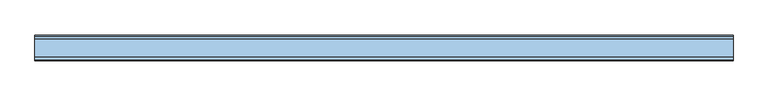
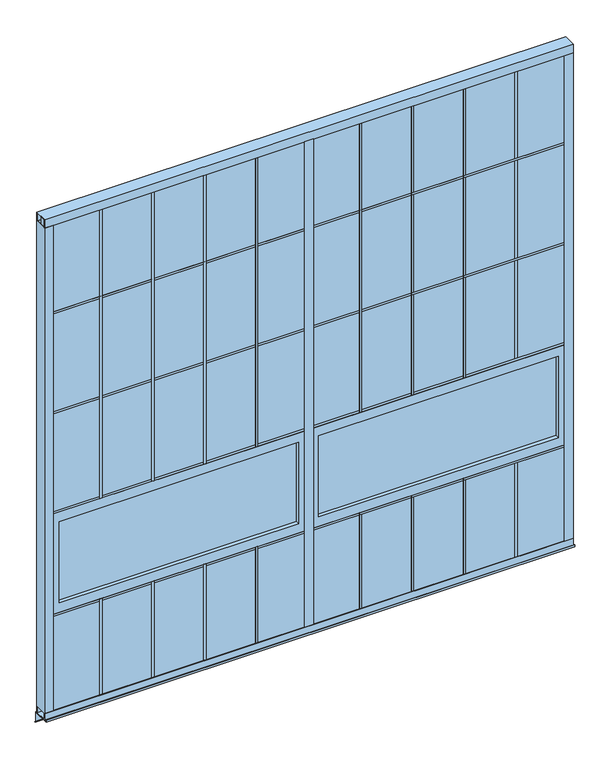
"""IFC4 building model written with IfcOpenShell, lengths in millimetres: window geometry."""

from ifc_helpers import new_model, si_unit, frame, origin, place, context, project, spatial, polyline, outline, extrude, source, transform, mapped, element, save


def window_4c3945b2(model_context):
    return source(origin(), model_context, "Body", "SweptSolid", [
        extrude(outline(polyline([(34.925, -6.35), (22.225, -6.35), (22.225, 63.5), (34.925, 63.5), (34.925, -6.35)])), frame((0.0, 0.0, 15.875), z_axis=(0.0, 0.0, 1.0), x_axis=(1.0, 0.0, 0.0)), (0.0, 0.0, 1.0), 609.6),
        extrude(outline(polyline([(334.01, -6.35), (321.31, -6.35), (321.31, 63.5), (334.01, 63.5), (334.01, -6.35)])), frame((0.0, 0.0, 15.875), z_axis=(0.0, 0.0, 1.0), x_axis=(1.0, 0.0, 0.0)), (0.0, 0.0, 1.0), 609.6),
        extrude(outline(polyline([(633.095, -6.35), (620.395, -6.35), (620.395, 63.5), (633.095, 63.5), (633.095, -6.35)])), frame((0.0, 0.0, 15.875), z_axis=(0.0, 0.0, 1.0), x_axis=(1.0, 0.0, 0.0)), (0.0, 0.0, 1.0), 609.6),
        extrude(outline(polyline([(932.18, -6.35), (919.48, -6.35), (919.48, 63.5), (932.18, 63.5), (932.18, -6.35)])), frame((0.0, 0.0, 15.875), z_axis=(0.0, 0.0, 1.0), x_axis=(1.0, 0.0, 0.0)), (0.0, 0.0, 1.0), 609.6),
        extrude(outline(polyline([(1231.265, -6.35), (1218.565, -6.35), (1218.565, 63.5), (1231.265, 63.5), (1231.265, -6.35)])), frame((0.0, 0.0, 15.875), z_axis=(0.0, 0.0, 1.0), x_axis=(1.0, 0.0, 0.0)), (0.0, 0.0, 1.0), 609.6),
        extrude(outline(polyline([(334.01, -6.35), (321.31, -6.35), (321.31, 63.5), (334.01, 63.5), (334.01, -6.35)])), frame((0.0, 0.0, 1235.075), z_axis=(0.0, 0.0, 1.0), x_axis=(1.0, 0.0, 0.0)), (0.0, 0.0, 1.0), 1790.7),
        extrude(outline(polyline([(633.095, -6.35), (620.395, -6.35), (620.395, 63.5), (633.095, 63.5), (633.095, -6.35)])), frame((0.0, 0.0, 1235.075), z_axis=(0.0, 0.0, 1.0), x_axis=(1.0, 0.0, 0.0)), (0.0, 0.0, 1.0), 1790.7),
        extrude(outline(polyline([(932.18, -6.35), (919.48, -6.35), (919.48, 63.5), (932.18, 63.5), (932.18, -6.35)])), frame((0.0, 0.0, 1235.075), z_axis=(0.0, 0.0, 1.0), x_axis=(1.0, 0.0, 0.0)), (0.0, 0.0, 1.0), 1790.7),
        extrude(outline(polyline([(1231.265, -6.35), (1218.565, -6.35), (1218.565, 63.5), (1231.265, 63.5), (1231.265, -6.35)])), frame((0.0, 0.0, 1235.075), z_axis=(0.0, 0.0, 1.0), x_axis=(1.0, 0.0, 0.0)), (0.0, 0.0, 1.0), 1790.7),
        extrude(outline(polyline([(1530.35, -6.35), (1517.65, -6.35), (1517.65, 63.5), (1530.35, 63.5), (1530.35, -6.35)])), frame((0.0, 0.0, 1235.075), z_axis=(0.0, 0.0, 1.0), x_axis=(1.0, 0.0, 0.0)), (0.0, 0.0, 1.0), 1790.7),
        extrude(outline(polyline([(1530.35, -6.35), (1517.65, -6.35), (1517.65, 63.5), (1530.35, 63.5), (1530.35, -6.35)])), frame((0.0, 0.0, 15.875), z_axis=(0.0, 0.0, 1.0), x_axis=(1.0, 0.0, 0.0)), (0.0, 0.0, 1.0), 609.6),
        extrude(outline(polyline([(1829.435, -6.35), (1816.735, -6.35), (1816.735, 63.5), (1829.435, 63.5), (1829.435, -6.35)])), frame((0.0, 0.0, 1235.075), z_axis=(0.0, 0.0, 1.0), x_axis=(1.0, 0.0, 0.0)), (0.0, 0.0, 1.0), 1790.7),
        extrude(outline(polyline([(28.575, -6.35), (28.575, 63.5), (3018.63125, 63.5), (3018.63125, -6.35), (28.575, -6.35)])), frame((0.0, 0.0, 2454.275), z_axis=(0.0, 0.0, 1.0), x_axis=(1.0, 0.0, 0.0)), (0.0, 0.0, 1.0), 12.7),
        extrude(outline(polyline([(85.725, 15.875), (85.725, 41.275), (1466.85, 41.275), (1466.85, 15.875), (85.725, 15.875)])), frame((0.0, 0.0, 682.625), z_axis=(0.0, 0.0, 1.0), x_axis=(1.0, 0.0, 0.0)), (0.0, 0.0, 1.0), 495.3),
        extrude(outline(polyline([(1235.075, 28.575), (625.475, 28.575), (625.475, 1524.0), (1235.075, 1524.0), (1235.075, 28.575)]), holes=[polyline([(1177.925, 1466.85), (682.625, 1466.85), (682.625, 85.725), (1177.925, 85.725), (1177.925, 1466.85)])]), frame((0.0, -6.35, 0.0), z_axis=(0.0, 1.0, 0.0), x_axis=(0.0, 0.0, 1.0)), (0.0, 0.0, 1.0), 69.85),
        extrude(outline(polyline([(1581.15, 15.875), (1581.15, 41.275), (2962.275, 41.275), (2962.275, 15.875), (1581.15, 15.875)])), frame((0.0, 0.0, 682.625), z_axis=(0.0, 0.0, 1.0), x_axis=(1.0, 0.0, 0.0)), (0.0, 0.0, 1.0), 495.3),
        extrude(outline(polyline([(1235.075, 1524.0), (625.475, 1524.0), (625.475, 3019.425), (1235.075, 3019.425), (1235.075, 1524.0)]), holes=[polyline([(1177.925, 2962.275), (682.625, 2962.275), (682.625, 1581.15), (1177.925, 1581.15), (1177.925, 2962.275)])]), frame((0.0, -6.35, 0.0), z_axis=(0.0, 1.0, 0.0), x_axis=(0.0, 0.0, 1.0)), (0.0, 0.0, 1.0), 69.85),
        extrude(outline(polyline([(28.575, -6.35), (28.575, 63.5), (3018.63125, 63.5), (3018.63125, -6.35), (28.575, -6.35)])), frame((0.0, 0.0, 612.775), z_axis=(0.0, 0.0, 1.0), x_axis=(1.0, 0.0, 0.0)), (0.0, 0.0, 1.0), 12.7),
        extrude(outline(polyline([(28.575, -6.35), (28.575, 63.5), (3018.63125, 63.5), (3018.63125, -6.35), (28.575, -6.35)])), frame((0.0, 0.0, 1844.675), z_axis=(0.0, 0.0, 1.0), x_axis=(1.0, 0.0, 0.0)), (0.0, 0.0, 1.0), 12.7),
        extrude(outline(polyline([(1829.435, -6.35), (1816.735, -6.35), (1816.735, 63.5), (1829.435, 63.5), (1829.435, -6.35)])), frame((0.0, 0.0, 15.875), z_axis=(0.0, 0.0, 1.0), x_axis=(1.0, 0.0, 0.0)), (0.0, 0.0, 1.0), 609.6),
        extrude(outline(polyline([(2128.52, -6.35), (2115.82, -6.35), (2115.82, 63.5), (2128.52, 63.5), (2128.52, -6.35)])), frame((0.0, 0.0, 15.875), z_axis=(0.0, 0.0, 1.0), x_axis=(1.0, 0.0, 0.0)), (0.0, 0.0, 1.0), 609.6),
        extrude(outline(polyline([(2427.605, -6.35), (2414.905, -6.35), (2414.905, 63.5), (2427.605, 63.5), (2427.605, -6.35)])), frame((0.0, 0.0, 15.875), z_axis=(0.0, 0.0, 1.0), x_axis=(1.0, 0.0, 0.0)), (0.0, 0.0, 1.0), 609.6),
        extrude(outline(polyline([(2726.69, -6.35), (2713.99, -6.35), (2713.99, 63.5), (2726.69, 63.5), (2726.69, -6.35)])), frame((0.0, 0.0, 15.875), z_axis=(0.0, 0.0, 1.0), x_axis=(1.0, 0.0, 0.0)), (0.0, 0.0, 1.0), 609.6),
        extrude(outline(polyline([(3025.775, -6.35), (3013.075, -6.35), (3013.075, 63.5), (3025.775, 63.5), (3025.775, -6.35)])), frame((0.0, 0.0, 15.875), z_axis=(0.0, 0.0, 1.0), x_axis=(1.0, 0.0, 0.0)), (0.0, 0.0, 1.0), 609.6),
        extrude(outline(polyline([(2128.52, -6.35), (2115.82, -6.35), (2115.82, 63.5), (2128.52, 63.5), (2128.52, -6.35)])), frame((0.0, 0.0, 1235.075), z_axis=(0.0, 0.0, 1.0), x_axis=(1.0, 0.0, 0.0)), (0.0, 0.0, 1.0), 1790.7),
        extrude(outline(polyline([(2427.605, -6.35), (2414.905, -6.35), (2414.905, 63.5), (2427.605, 63.5), (2427.605, -6.35)])), frame((0.0, 0.0, 1235.075), z_axis=(0.0, 0.0, 1.0), x_axis=(1.0, 0.0, 0.0)), (0.0, 0.0, 1.0), 1790.7),
        extrude(outline(polyline([(28.575, -6.35), (28.575, 63.5), (3018.63125, 63.5), (3018.63125, -6.35), (28.575, -6.35)])), frame((0.0, 0.0, 1235.075), z_axis=(0.0, 0.0, 1.0), x_axis=(1.0, 0.0, 0.0)), (0.0, 0.0, 1.0), 12.7),
        extrude(outline(polyline([(1498.6, -9.525), (1498.6, 66.675), (1549.4, 66.675), (1549.4, -9.525), (1498.6, -9.525)])), frame((0.0, 0.0, 41.275), z_axis=(0.0, 0.0, 1.0), x_axis=(1.0, 0.0, 0.0)), (0.0, 0.0, 1.0), 2955.925),
        extrude(outline(polyline([(2726.69, -6.35), (2713.99, -6.35), (2713.99, 63.5), (2726.69, 63.5), (2726.69, -6.35)])), frame((0.0, 0.0, 1235.075), z_axis=(0.0, 0.0, 1.0), x_axis=(1.0, 0.0, 0.0)), (0.0, 0.0, 1.0), 1790.7),
        extrude(outline(polyline([(34.925, -6.35), (22.225, -6.35), (22.225, 63.5), (34.925, 63.5), (34.925, -6.35)])), frame((0.0, 0.0, 1235.075), z_axis=(0.0, 0.0, 1.0), x_axis=(1.0, 0.0, 0.0)), (0.0, 0.0, 1.0), 1790.7),
        extrude(outline(polyline([(3025.775, -6.35), (3013.075, -6.35), (3013.075, 63.5), (3025.775, 63.5), (3025.775, -6.35)])), frame((0.0, 0.0, 1235.075), z_axis=(0.0, 0.0, 1.0), x_axis=(1.0, 0.0, 0.0)), (0.0, 0.0, 1.0), 1790.7),
        extrude(outline(polyline([(28.575, -6.35), (28.575, 63.5), (3019.425, 63.5), (3019.425, -6.35), (28.575, -6.35)])), frame((0.0, 0.0, 15.875), z_axis=(0.0, 0.0, 1.0), x_axis=(1.0, 0.0, 0.0)), (0.0, 0.0, 1.0), 609.6),
        extrude(outline(polyline([(28.575, -6.35), (28.575, 63.5), (3019.425, 63.5), (3019.425, -6.35), (28.575, -6.35)])), frame((0.0, 0.0, 1235.075), z_axis=(0.0, 0.0, 1.0), x_axis=(1.0, 0.0, 0.0)), (0.0, 0.0, 1.0), 1790.7),
        extrude(outline(polyline([(-9.525, 3048.0), (66.675, 3048.0), (66.675, 2997.2), (63.5, 2997.2), (63.5, 3044.825), (-6.35, 3044.825), (-6.35, 2997.2), (-9.525, 2997.2), (-9.525, 3048.0)])), frame((0.0, 0.0, 0.0), z_axis=(1.0, 0.0, 0.0), x_axis=(0.0, 1.0, 0.0)), (0.0, 0.0, 1.0), 3048.0),
        extrude(outline(polyline([(0.0, 66.675), (50.8, 66.675), (50.8, 63.5), (3.175, 63.5), (3.175, -6.35), (50.8, -6.35), (50.8, -9.525), (0.0, -9.525), (0.0, 66.675)])), frame((0.0, 0.0, 41.275), z_axis=(0.0, 0.0, 1.0), x_axis=(1.0, 0.0, 0.0)), (0.0, 0.0, 1.0), 2955.925),
        extrude(outline(polyline([(3048.0, 66.675), (3048.0, -9.525), (2997.2, -9.525), (2997.2, -6.35), (3044.825, -6.35), (3044.825, 63.5), (2997.2, 63.5), (2997.2, 66.675), (3048.0, 66.675)])), frame((0.0, 0.0, 41.275), z_axis=(0.0, 0.0, 1.0), x_axis=(1.0, 0.0, 0.0)), (0.0, 0.0, 1.0), 2955.925),
        extrude(outline(polyline([(-9.525, 0.0), (-9.525, 41.275), (-6.35, 41.275), (-6.35, 3.175), (63.5, 3.175), (63.5, 41.275), (66.675, 41.275), (66.675, 0.0), (-9.525, 0.0)])), frame((0.0, 0.0, 0.0), z_axis=(1.0, 0.0, 0.0), x_axis=(0.0, 1.0, 0.0)), (0.0, 0.0, 1.0), 3048.0),
        extrude(outline(polyline([(86.3027881, -67.139968), (85.1802561, -68.2625), (76.2, -59.2822439), (76.2, -1.5875), (-25.4, -1.5875), (-25.4, 11.1125), (-23.8125, 11.1125), (-23.8125, 0.0), (77.7875, 0.0), (77.7875, -58.6246798), (86.3027881, -67.139968)])), frame((0.0, 0.0, 0.0), z_axis=(1.0, 0.0, 0.0), x_axis=(0.0, 1.0, 0.0)), (0.0, 0.0, 1.0), 3048.0),
    ])


if __name__ == "__main__":
    model = new_model("IFC4")
    model_context = context("Model", 3, world=origin())
    ifc_project = project(units=[si_unit("LENGTHUNIT", "METRE", prefix="MILLI")], contexts=[model_context])
    site = spatial("IfcSite", under=ifc_project)
    building = spatial("IfcBuilding", under=site)
    placement = place(None, origin())
    window_shape = window_4c3945b2(model_context)
    element("IfcWindow", 1, at=placement, inside=building, context=model_context, shape_type="MappedRepresentation", body=[
        mapped(window_shape, transform((0.0, 0.0, 0.0), x_axis=(1.0, 0.0, 0.0), y_axis=(0.0, 1.0, 0.0), z_axis=(0.0, 0.0, 1.0))),
    ])
    save(model, "model.ifc")
